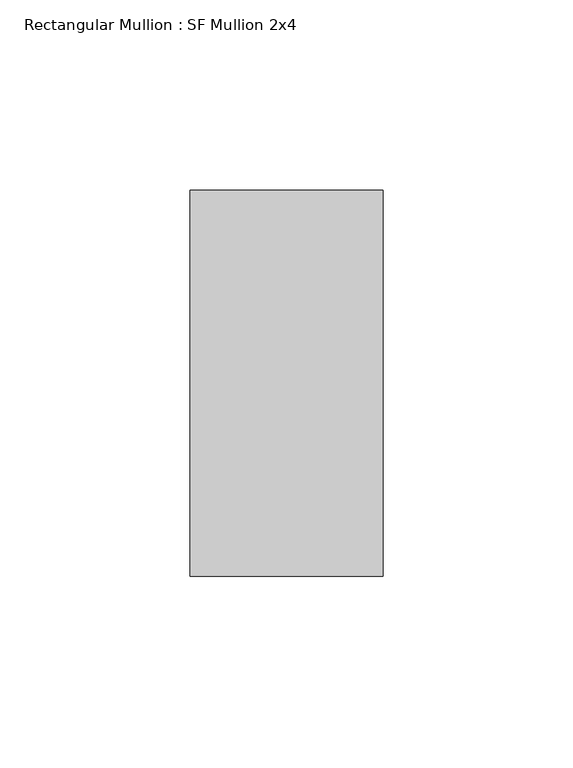
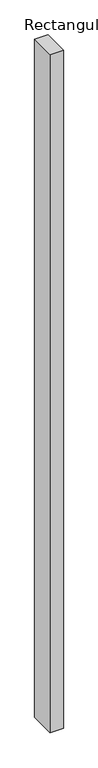
"""IFC4 building model written with IfcOpenShell, lengths in millimetres: member geometry, Rectangular Mullion : SF Mullion 2x4."""

from ifc_helpers import new_model, si_unit, frame, origin, place, context, project, spatial, polyline, outline, extrude, source, transform, mapped, element, save


def rectangular_mullion_sf_mullion_2x4_aa777a50(model_context):
    return source(origin(), model_context, "Body", "SweptSolid", [
        extrude(outline(polyline([(0.0, 50.8), (0.0, -50.8), (-50.8, -50.8), (-50.8, 50.8), (0.0, 50.8)])), frame((0.0, 0.0, -2743.2), z_axis=(0.0, 0.0, 1.0), x_axis=(1.0, 0.0, 0.0)), (0.0, 0.0, 1.0), 2743.2),
    ])


if __name__ == "__main__":
    model = new_model("IFC4")
    model_context = context("Model", 3, world=origin())
    ifc_project = project(units=[si_unit("LENGTHUNIT", "METRE", prefix="MILLI")], contexts=[model_context])
    site = spatial("IfcSite", under=ifc_project)
    building = spatial("IfcBuilding", under=site)
    placement = place(None, origin())
    rectangular_mullion_sf_mullion_2x4_shape = rectangular_mullion_sf_mullion_2x4_aa777a50(model_context)
    element("IfcMember", 1, ObjectType="Rectangular Mullion : SF Mullion 2x4", at=placement, inside=building, context=model_context, shape_type="MappedRepresentation", body=[
        mapped(rectangular_mullion_sf_mullion_2x4_shape, transform((0.0, 0.0, 0.0), x_axis=(1.0, 0.0, 0.0), y_axis=(0.0, 1.0, 0.0), z_axis=(0.0, 0.0, 1.0))),
    ])
    save(model, "model.ifc")
